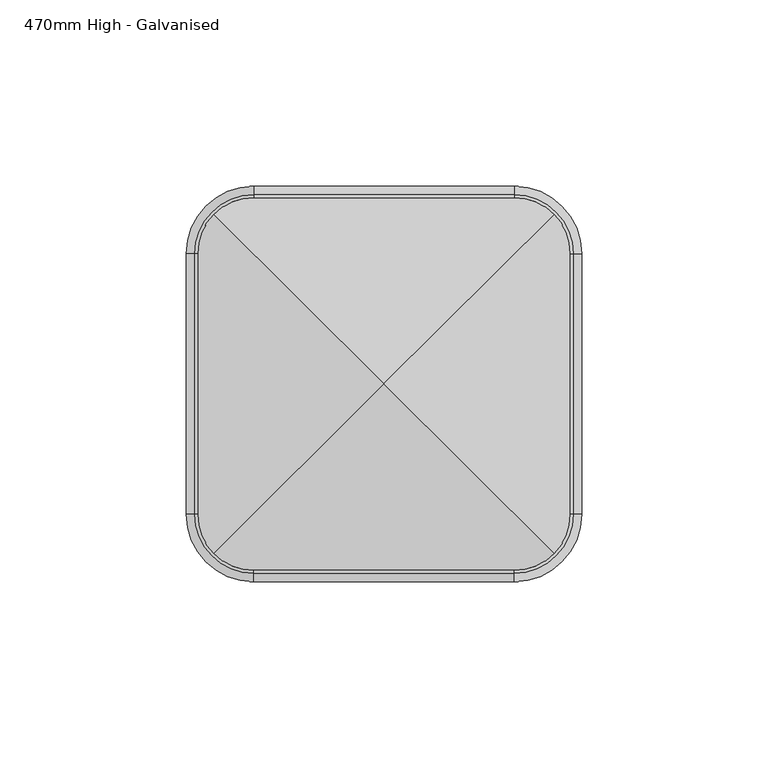
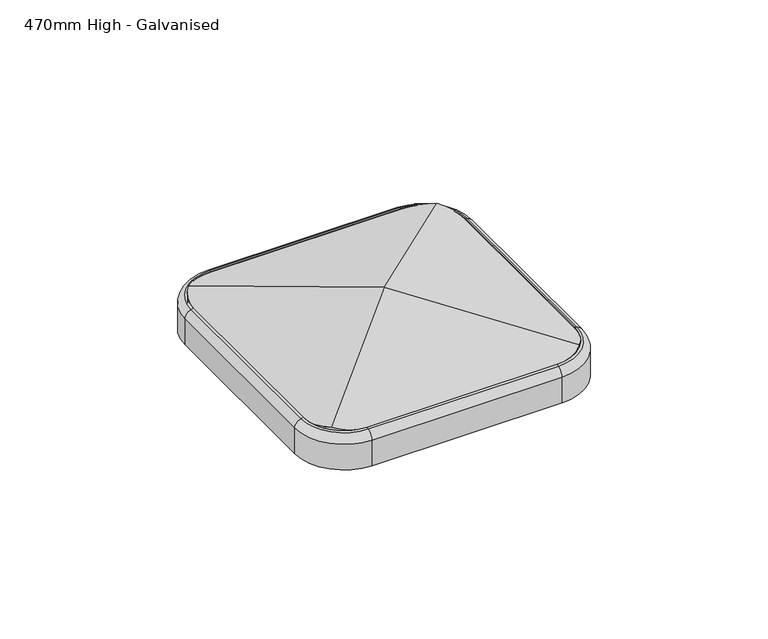
"""IFC4 building model written with IfcOpenShell, lengths in millimetres: proxy geometry, 470mm High - Galvanised."""

from ifc_helpers import new_model, si_unit, point, frame, origin, place, context, project, spatial, polyline, circle_curve, ellipse_curve, trimmed, source, transform, mapped, element, save
from ifc_brep_helpers import plane_surface, cylinder_surface, revolved_surface, advanced_brep


def proxy_470mm_high_galvanised_e4c21b22(model_context):
    return source(origin(), model_context, "Body", "AdvancedBrep", [
        advanced_brep(
        [(35.0, -50.0, 473.0849886), (50.0, -35.0, 473.0849886), (50.0, -35.0, 460.0), (35.0, -50.0, 460.0), (35.0, -53.0701411, 460.0), (53.0701411, -35.0, 460.0), (53.0701411, -35.0, 469.9827329), (35.0, -53.0701411, 469.9827329), (-35.0, -50.0, 460.0), (-35.0, -50.0, 473.0849886), (-35.0, -53.0701411, 469.9827329), (-35.0, -53.0701411, 460.0), (-50.0, -35.0, 473.0849886), (-50.0, -35.0, 460.0), (-53.0701411, -35.0, 460.0), (-53.0701411, -35.0, 469.9827329), (-50.0, 35.0, 460.0), (-50.0, 35.0, 473.0849886), (-53.0701411, 35.0, 469.9827329), (-53.0701411, 35.0, 460.0), (-35.0, 50.0, 473.0849886), (-35.0, 50.0, 460.0), (-35.0, 53.0701411, 460.0), (-35.0, 53.0701411, 469.9827329), (35.0, 50.0, 460.0), (35.0, 50.0, 473.0849886), (35.0, 53.0701411, 469.9827329), (35.0, 53.0701411, 460.0), (50.0, 35.0, 473.0849886), (50.0, 35.0, 460.0), (53.0701411, 35.0, 460.0), (53.0701411, 35.0, 469.9827329), (35.0, -50.771088, 472.899696), (50.771088, -35.0, 472.899696), (-35.0, -50.771088, 472.899696), (-50.771088, -35.0, 472.899696), (-50.771088, 35.0, 472.899696), (-35.0, 50.771088, 472.899696), (35.0, 50.771088, 472.899696), (50.771088, 35.0, 472.899696)],
        [
            (0, 1, circle_curve(frame((35.0, -35.0, 473.0849886), z_axis=(0.0, 0.0, 1.0), x_axis=(1.0, 0.0, 0.0)), 15.0)),
            (1, 2),
            (2, 3, circle_curve(frame((35.0, -35.0, 460.0), z_axis=(0.0, 0.0, -1.0), x_axis=(1.0, 0.0, 0.0)), 15.0)),
            (3, 0),
            (4, 5, circle_curve(frame((35.0, -35.0, 460.0), z_axis=(0.0, 0.0, 1.0), x_axis=(1.0, 0.0, 0.0)), 18.0701411)),
            (5, 6),
            (6, 7, circle_curve(frame((35.0, -35.0, 469.9827329), z_axis=(0.0, 0.0, -1.0), x_axis=(1.0, 0.0, 0.0)), 18.0701411)),
            (7, 4),
            (3, 8),
            (8, 9),
            (9, 0),
            (7, 10),
            (10, 11),
            (11, 4),
            (12, 9, circle_curve(frame((-35.0, -35.0, 473.0849886), z_axis=(0.0, 0.0, 1.0), x_axis=(0.0, -1.0, 0.0)), 15.0)),
            (8, 13, circle_curve(frame((-35.0, -35.0, 460.0), z_axis=(0.0, 0.0, -1.0), x_axis=(0.0, -1.0, 0.0)), 15.0)),
            (13, 12),
            (14, 11, circle_curve(frame((-35.0, -35.0, 460.0), z_axis=(0.0, 0.0, 1.0), x_axis=(0.0, -1.0, 0.0)), 18.0701411)),
            (10, 15, circle_curve(frame((-35.0, -35.0, 469.9827329), z_axis=(0.0, 0.0, -1.0), x_axis=(0.0, -1.0, 0.0)), 18.0701411)),
            (15, 14),
            (13, 16),
            (16, 17),
            (17, 12),
            (15, 18),
            (18, 19),
            (19, 14),
            (20, 17, circle_curve(frame((-35.0, 35.0, 473.0849886), z_axis=(0.0, 0.0, 1.0), x_axis=(-1.0, 0.0, 0.0)), 15.0)),
            (16, 21, circle_curve(frame((-35.0, 35.0, 460.0), z_axis=(0.0, 0.0, -1.0), x_axis=(-1.0, 0.0, 0.0)), 15.0)),
            (21, 20),
            (22, 19, circle_curve(frame((-35.0, 35.0, 460.0), z_axis=(0.0, 0.0, 1.0), x_axis=(-1.0, 0.0, 0.0)), 18.0701411)),
            (18, 23, circle_curve(frame((-35.0, 35.0, 469.9827329), z_axis=(0.0, 0.0, -1.0), x_axis=(-1.0, 0.0, 0.0)), 18.0701411)),
            (23, 22),
            (21, 24),
            (24, 25),
            (25, 20),
            (23, 26),
            (26, 27),
            (27, 22),
            (28, 25, circle_curve(frame((35.0, 35.0, 473.0849886), z_axis=(0.0, 0.0, 1.0), x_axis=(0.0, 1.0, 0.0)), 15.0)),
            (24, 29, circle_curve(frame((35.0, 35.0, 460.0), z_axis=(0.0, 0.0, -1.0), x_axis=(0.0, 1.0, 0.0)), 15.0)),
            (29, 28),
            (30, 27, circle_curve(frame((35.0, 35.0, 460.0), z_axis=(0.0, 0.0, 1.0), x_axis=(0.0, 1.0, 0.0)), 18.0701411)),
            (26, 31, circle_curve(frame((35.0, 35.0, 469.9827329), z_axis=(0.0, 0.0, -1.0), x_axis=(0.0, 1.0, 0.0)), 18.0701411)),
            (31, 30),
            (30, 5),
            (2, 29),
            (1, 28),
            (31, 6),
            (32, 33, circle_curve(frame((35.0, -35.0, 472.899696), z_axis=(0.0, 0.0, 1.0), x_axis=(1.0, 0.0, 0.0)), 15.771088)),
            (33, 1),
            (0, 32),
            (6, 33, circle_curve(frame((50.0701411, -35.0, 469.9827329), z_axis=(0.0, -1.0, 0.0), x_axis=(-1.0, 0.0, 0.0)), 3.0)),
            (32, 7, circle_curve(frame((35.0, -50.0701411, 469.9827329), z_axis=(1.0, 0.0, 0.0), x_axis=(0.0, 1.0, 0.0)), 3.0)),
            (9, 34),
            (34, 32),
            (34, 10, circle_curve(frame((-35.0, -50.0701411, 469.9827329), z_axis=(1.0, 0.0, 0.0), x_axis=(0.0, 1.0, 0.0)), 3.0)),
            (35, 34, circle_curve(frame((-35.0, -35.0, 472.899696), z_axis=(0.0, 0.0, 1.0), x_axis=(0.0, -1.0, 0.0)), 15.771088)),
            (12, 35),
            (35, 15, circle_curve(frame((-50.0701411, -35.0, 469.9827329), z_axis=(0.0, -1.0, 0.0), x_axis=(1.0, 0.0, 0.0)), 3.0)),
            (17, 36),
            (36, 35),
            (36, 18, circle_curve(frame((-50.0701411, 35.0, 469.9827329), z_axis=(0.0, -1.0, 0.0), x_axis=(1.0, 0.0, 0.0)), 3.0)),
            (37, 36, circle_curve(frame((-35.0, 35.0, 472.899696), z_axis=(0.0, 0.0, 1.0), x_axis=(-1.0, 0.0, 0.0)), 15.771088)),
            (20, 37),
            (37, 23, circle_curve(frame((-35.0, 50.0701411, 469.9827329), z_axis=(-1.0, 0.0, 0.0), x_axis=(0.0, -1.0, 0.0)), 3.0)),
            (25, 38),
            (38, 37),
            (38, 26, circle_curve(frame((35.0, 50.0701411, 469.9827329), z_axis=(-1.0, 0.0, 0.0), x_axis=(0.0, -1.0, 0.0)), 3.0)),
            (39, 38, circle_curve(frame((35.0, 35.0, 472.899696), z_axis=(0.0, 0.0, 1.0), x_axis=(0.0, 1.0, 0.0)), 15.771088)),
            (28, 39),
            (39, 31, circle_curve(frame((50.0701411, 35.0, 469.9827329), z_axis=(0.0, 1.0, 0.0), x_axis=(-1.0, 0.0, 0.0)), 3.0)),
            (33, 39),
        ],
        [
            revolved_surface(polyline([(50.0, -35.0, 460.0), (50.0, -35.0, 473.0849886)]), (35.0, -35.0, 470.0), (0.0, 0.0, -1.0)),
            cylinder_surface(frame((35.0, -35.0, 470.0), z_axis=(0.0, 0.0, -1.0), x_axis=(1.0, 0.0, 0.0)), 18.0701411),
            plane_surface(frame((35.0, -50.0, 460.0), z_axis=(0.0, 1.0, 0.0), x_axis=(-1.0, 0.0, 0.0))),
            plane_surface(frame((35.0, -53.0701411, 469.9827329), z_axis=(0.0, -1.0, 0.0), x_axis=(-1.0, 0.0, 0.0))),
            revolved_surface(polyline([(-35.0, -50.0, 460.0), (-35.0, -50.0, 473.0849886)]), (-35.0, -35.0, 470.0), (0.0, 0.0, -1.0)),
            cylinder_surface(frame((-35.0, -35.0, 470.0), z_axis=(0.0, 0.0, -1.0), x_axis=(0.0, -1.0, 0.0)), 18.0701411),
            plane_surface(frame((-50.0, -35.0, 460.0), z_axis=(1.0, 0.0, 0.0), x_axis=(0.0, 1.0, 0.0))),
            plane_surface(frame((-53.0701411, -35.0, 469.9827329), z_axis=(-1.0, 0.0, 0.0), x_axis=(0.0, 1.0, 0.0))),
            revolved_surface(polyline([(-50.0, 35.0, 460.0), (-50.0, 35.0, 473.0849886)]), (-35.0, 35.0, 470.0), (0.0, 0.0, -1.0)),
            cylinder_surface(frame((-35.0, 35.0, 470.0), z_axis=(0.0, 0.0, -1.0), x_axis=(-1.0, 0.0, 0.0)), 18.0701411),
            plane_surface(frame((-35.0, 50.0, 460.0), z_axis=(0.0, -1.0, 0.0), x_axis=(1.0, 0.0, 0.0))),
            plane_surface(frame((-35.0, 53.0701411, 469.9827329), z_axis=(0.0, 1.0, 0.0), x_axis=(1.0, 0.0, 0.0))),
            revolved_surface(polyline([(35.0, 50.0, 460.0), (35.0, 50.0, 473.0849886)]), (35.0, 35.0, 470.0), (0.0, 0.0, -1.0)),
            cylinder_surface(frame((35.0, 35.0, 470.0), z_axis=(0.0, 0.0, -1.0), x_axis=(0.0, 1.0, 0.0)), 18.0701411),
            plane_surface(frame((53.0701411, 35.0, 460.0), z_axis=(0.0, 0.0, -1.0), x_axis=(0.0, -1.0, 0.0))),
            plane_surface(frame((50.0, 35.0, 460.0), z_axis=(-1.0, 0.0, 0.0), x_axis=(0.0, -1.0, 0.0))),
            plane_surface(frame((53.0701411, 35.0, 469.9827329), z_axis=(1.0, 0.0, 0.0), x_axis=(0.0, -1.0, 0.0))),
            revolved_surface(polyline([(50.0, -35.0, 473.0849886), (50.771088, -35.0, 472.899696)]), (35.0, -35.0, 470.0), (0.0, 0.0, -1.0)),
            revolved_surface(trimmed(ellipse_curve(frame((50.0701411, -35.0, 469.9827329), z_axis=(0.0, 1.0, 0.0), x_axis=(-1.0, 0.0, 0.0)), 3.0, 3.0), [point((50.771088, -35.0, 472.899696))], [point((53.0701411, -35.0, 469.9827329))], True, "CARTESIAN"), (35.0, -35.0, 470.0), (0.0, 0.0, -1.0)),
            plane_surface(frame((35.0, -50.0, 473.0849886), z_axis=(0.0, -0.2336489625965243, 0.9723210181198225), x_axis=(-1.0, 0.0, 0.0))),
            cylinder_surface(frame((35.0, -50.0701411, 469.9827329), z_axis=(1.0, 0.0, 0.0), x_axis=(0.0, 1.0, 0.0)), 3.0),
            revolved_surface(polyline([(-35.0, -50.0, 473.0849886), (-35.0, -50.771088, 472.899696)]), (-35.0, -35.0, 470.0), (0.0, 0.0, -1.0)),
            revolved_surface(trimmed(ellipse_curve(frame((-35.0, -50.0701411, 469.9827329), z_axis=(1.0, 0.0, 0.0), x_axis=(0.0, 1.0, 0.0)), 3.0, 3.0), [point((-35.0, -50.771088, 472.899696))], [point((-35.0, -53.0701411, 469.9827329))], True, "CARTESIAN"), (-35.0, -35.0, 470.0), (0.0, 0.0, -1.0)),
            plane_surface(frame((-50.0, -35.0, 473.0849886), z_axis=(-0.23364896259652118, 0.0, 0.9723210181198233), x_axis=(0.0, 1.0, 0.0))),
            cylinder_surface(frame((-50.0701411, -35.0, 469.9827329), z_axis=(0.0, -1.0, 0.0), x_axis=(1.0, 0.0, 0.0)), 3.0),
            revolved_surface(polyline([(-50.0, 35.0, 473.0849886), (-50.771088, 35.0, 472.899696)]), (-35.0, 35.0, 470.0), (0.0, 0.0, -1.0)),
            revolved_surface(trimmed(ellipse_curve(frame((-50.0701411, 35.0, 469.9827329), z_axis=(0.0, -1.0, 0.0), x_axis=(1.0, 0.0, 0.0)), 3.0, 3.0), [point((-50.771088, 35.0, 472.899696))], [point((-53.0701411, 35.0, 469.9827329))], True, "CARTESIAN"), (-35.0, 35.0, 470.0), (0.0, 0.0, -1.0)),
            plane_surface(frame((-35.0, 50.0, 473.0849886), z_axis=(0.0, 0.2336489625965243, 0.9723210181198225), x_axis=(1.0, 0.0, 0.0))),
            cylinder_surface(frame((-35.0, 50.0701411, 469.9827329), z_axis=(-1.0, 0.0, 0.0), x_axis=(0.0, -1.0, 0.0)), 3.0),
            revolved_surface(polyline([(35.0, 50.0, 473.0849886), (35.0, 50.771088, 472.899696)]), (35.0, 35.0, 470.0), (0.0, 0.0, -1.0)),
            revolved_surface(trimmed(ellipse_curve(frame((35.0, 50.0701411, 469.9827329), z_axis=(-1.0, 0.0, 0.0), x_axis=(0.0, -1.0, 0.0)), 3.0, 3.0), [point((35.0, 50.771088, 472.899696))], [point((35.0, 53.0701411, 469.9827329))], True, "CARTESIAN"), (35.0, 35.0, 470.0), (0.0, 0.0, -1.0)),
            plane_surface(frame((50.0, 35.0, 473.0849886), z_axis=(0.2336489625965274, 0.0, 0.9723210181198217), x_axis=(0.0, -1.0, 0.0))),
            cylinder_surface(frame((50.0701411, 35.0, 469.9827329), z_axis=(0.0, 1.0, 0.0), x_axis=(-1.0, 0.0, 0.0)), 3.0),
        ],
        [
            (0, [[1, 2, 3, 4]]),
            (1, [[5, 6, 7, 8]]),
            (2, [[-4, 9, 10, 11]]),
            (3, [[-8, 12, 13, 14]]),
            (4, [[15, -10, 16, 17]]),
            (5, [[18, -13, 19, 20]]),
            (6, [[-17, 21, 22, 23]]),
            (7, [[-20, 24, 25, 26]]),
            (8, [[27, -22, 28, 29]]),
            (9, [[30, -25, 31, 32]]),
            (10, [[-29, 33, 34, 35]]),
            (11, [[-32, 36, 37, 38]]),
            (12, [[39, -34, 40, 41]]),
            (13, [[42, -37, 43, 44]]),
            (14, [[-38, -42, 45, -5, -14, -18, -26, -30], [46, -40, -33, -28, -21, -16, -9, -3]]),
            (15, [[-41, -46, -2, 47]]),
            (16, [[-44, 48, -6, -45]]),
            (17, [[49, 50, -1, 51]]),
            (18, [[-7, 52, -49, 53]]),
            (19, [[-51, -11, 54, 55]]),
            (20, [[-53, -55, 56, -12]]),
            (21, [[57, -54, -15, 58]]),
            (22, [[-19, -56, -57, 59]]),
            (23, [[-58, -23, 60, 61]]),
            (24, [[-59, -61, 62, -24]]),
            (25, [[63, -60, -27, 64]]),
            (26, [[-31, -62, -63, 65]]),
            (27, [[-64, -35, 66, 67]]),
            (28, [[-65, -67, 68, -36]]),
            (29, [[69, -66, -39, 70]]),
            (30, [[-43, -68, -69, 71]]),
            (31, [[-70, -47, -50, 72]]),
            (32, [[-71, -72, -52, -48]]),
        ],
    ),
        advanced_brep(
        [(35.0, -50.0, 470.0), (-35.0, -50.0, 470.0), (-50.0, -35.0, 470.0), (-50.0, 35.0, 470.0), (-35.0, 50.0, 470.0), (35.0, 50.0, 470.0), (50.0, 35.0, 470.0), (50.0, -35.0, 470.0), (50.0, -35.0, 473.0849886), (45.7469626, -45.4643583, 474.1069944), (35.0, -50.0, 473.0103038), (50.0, 35.0, 473.0849886), (35.0, 50.0, 473.0185426), (45.7316142, 45.4800981, 474.1106827), (-35.0, 50.0, 473.0185426), (-50.0, 35.0, 473.0767498), (-45.7161577, 45.4959022, 474.1068639), (-50.0, -35.0, 473.0767498), (-35.0, -50.0, 473.0103038), (-45.7315293, -45.4801851, 474.1031676), (0.0, 0.0, 485.1)],
        [
            (0, 1),
            (1, 2, circle_curve(frame((-35.0, -35.0, 470.0), z_axis=(0.0, 0.0, -1.0), x_axis=(-1.0, 0.0, 0.0)), 15.0)),
            (2, 3),
            (3, 4, circle_curve(frame((-35.0, 35.0, 470.0), z_axis=(0.0, 0.0, -1.0), x_axis=(-1.0, 0.0, 0.0)), 15.0)),
            (4, 5),
            (5, 6, circle_curve(frame((35.0, 35.0, 470.0), z_axis=(0.0, 0.0, -1.0), x_axis=(-1.0, 0.0, 0.0)), 15.0)),
            (6, 7),
            (7, 0, circle_curve(frame((35.0, -35.0, 470.0), z_axis=(0.0, 0.0, -1.0), x_axis=(-1.0, 0.0, 0.0)), 15.0)),
            (7, 8),
            (8, 9, ellipse_curve(frame((35.0, -35.0, 476.689492), z_axis=(-0.2336489625964067, 0.0, -0.9723210181198507), x_axis=(-0.9723210181198508, 0.0, 0.2336489625964061)), 15.4270038, 15.0)),
            (9, 10, ellipse_curve(frame((35.0, -35.0, 476.6372127), z_axis=(0.0, 0.23502132736443537, -0.9719902137798812), x_axis=(0.0, 0.9719902137798812, 0.23502132736443457)), 15.4322541, 15.0)),
            (10, 0),
            (6, 11),
            (11, 8),
            (5, 12),
            (12, 13, ellipse_curve(frame((35.0, 35.0, 476.6429798), z_axis=(0.0, -0.23487000452305018, -0.9720267902559798), x_axis=(0.0, -0.9720267902559798, 0.23487000452304949)), 15.4316734, 15.0)),
            (13, 11, ellipse_curve(frame((35.0, 35.0, 476.689492), z_axis=(-0.2336489625964067, 0.0, -0.9723210181198507), x_axis=(-0.9723210181198508, 0.0, 0.2336489625964061)), 15.4270038, 15.0)),
            (4, 14),
            (14, 12),
            (3, 15),
            (15, 16, ellipse_curve(frame((-35.0, 35.0, 476.6837248), z_axis=(0.23380042293532005, 0.0, -0.9722846096875469), x_axis=(0.9722846096875468, 0.0, 0.23380042293531994)), 15.4275814, 15.0)),
            (16, 14, ellipse_curve(frame((-35.0, 35.0, 476.6429798), z_axis=(0.0, -0.23487000452305018, -0.9720267902559798), x_axis=(0.0, -0.9720267902559798, 0.23487000452304949)), 15.4316734, 15.0)),
            (2, 17),
            (17, 15),
            (1, 18),
            (18, 19, ellipse_curve(frame((-35.0, -35.0, 476.6372127), z_axis=(0.0, 0.23502132736443537, -0.9719902137798812), x_axis=(0.0, 0.9719902137798812, 0.23502132736443457)), 15.4322541, 15.0)),
            (19, 17, ellipse_curve(frame((-35.0, -35.0, 476.6837248), z_axis=(0.23380042293532005, 0.0, -0.9722846096875469), x_axis=(0.9722846096875468, 0.0, 0.23380042293531994)), 15.4275814, 15.0)),
            (10, 18),
            (19, 20),
            (20, 16),
            (13, 20),
            (20, 9),
        ],
        [
            plane_surface(frame((20.0, -35.0, 470.0), z_axis=(0.0, 0.0, -1.0), x_axis=(0.0, 1.0, 0.0))),
            cylinder_surface(frame((35.0, -35.0, 470.0), z_axis=(0.0, 0.0, 1.0), x_axis=(-1.0, 0.0, 0.0)), 15.0),
            plane_surface(frame((50.0, -35.0, 485.1), z_axis=(1.0, 0.0, 0.0), x_axis=(0.0, 0.0, -1.0))),
            cylinder_surface(frame((35.0, 35.0, 470.0), z_axis=(0.0, 0.0, 1.0), x_axis=(-1.0, 0.0, 0.0)), 15.0),
            plane_surface(frame((35.0, 50.0, 485.1), z_axis=(0.0, 1.0, 0.0), x_axis=(0.0, 0.0, -1.0))),
            cylinder_surface(frame((-35.0, 35.0, 470.0), z_axis=(0.0, 0.0, 1.0), x_axis=(-1.0, 0.0, 0.0)), 15.0),
            plane_surface(frame((-50.0, 35.0, 485.1), z_axis=(-1.0, 0.0, 0.0), x_axis=(0.0, 0.0, -1.0))),
            cylinder_surface(frame((-35.0, -35.0, 470.0), z_axis=(0.0, 0.0, 1.0), x_axis=(-1.0, 0.0, 0.0)), 15.0),
            plane_surface(frame((-35.0, -50.0, 485.1), z_axis=(0.0, -1.0, 0.0), x_axis=(0.0, 0.0, -1.0))),
            plane_surface(frame((-50.0, -50.0, 473.0767498), z_axis=(-0.23380042293532005, 0.0, 0.9722846096875469), x_axis=(0.0, 1.0, 0.0))),
            plane_surface(frame((0.0, -50.0, 485.1), z_axis=(0.2336489625964067, 0.0, 0.9723210181198507), x_axis=(0.0, 1.0, 0.0))),
            plane_surface(frame((-50.0, 0.0, 485.1), z_axis=(0.0, -0.23502132736443537, 0.9719902137798812), x_axis=(1.0, 0.0, 0.0))),
            plane_surface(frame((-50.0, 50.0, 473.0185426), z_axis=(0.0, 0.23487000452305018, 0.9720267902559798), x_axis=(1.0, 0.0, 0.0))),
        ],
        [
            (0, [[1, 2, 3, 4, 5, 6, 7, 8]]),
            (1, [[-8, 9, 10, 11, 12]]),
            (2, [[-7, 13, 14, -9]]),
            (3, [[-6, 15, 16, 17, -13]]),
            (4, [[-5, 18, 19, -15]]),
            (5, [[-4, 20, 21, 22, -18]]),
            (6, [[-3, 23, 24, -20]]),
            (7, [[-2, 25, 26, 27, -23]]),
            (8, [[-1, -12, 28, -25]]),
            (9, [[-24, -27, 29, 30, -21]]),
            (10, [[-14, -17, 31, 32, -10]]),
            (11, [[-11, -32, -29, -26, -28]]),
            (12, [[-16, -19, -22, -30, -31]]),
        ],
    ),
    ])


if __name__ == "__main__":
    model = new_model("IFC4")
    model_context = context("Model", 3, world=origin())
    ifc_project = project(units=[si_unit("LENGTHUNIT", "METRE", prefix="MILLI")], contexts=[model_context])
    site = spatial("IfcSite", under=ifc_project)
    building = spatial("IfcBuilding", under=site)
    placement = place(None, origin())
    proxy_470mm_high_galvanised_shape = proxy_470mm_high_galvanised_e4c21b22(model_context)
    element("IfcBuildingElementProxy", 1, Name="470mm High - Galvanised", ObjectType="470mm High - Galvanised", at=placement, inside=building, context=model_context, shape_type="MappedRepresentation", body=[
        mapped(proxy_470mm_high_galvanised_shape, transform((0.0, 0.0, 0.0), x_axis=(1.0, 0.0, 0.0), y_axis=(0.0, 1.0, 0.0), z_axis=(0.0, 0.0, 1.0))),
    ])
    save(model, "model.ifc")
